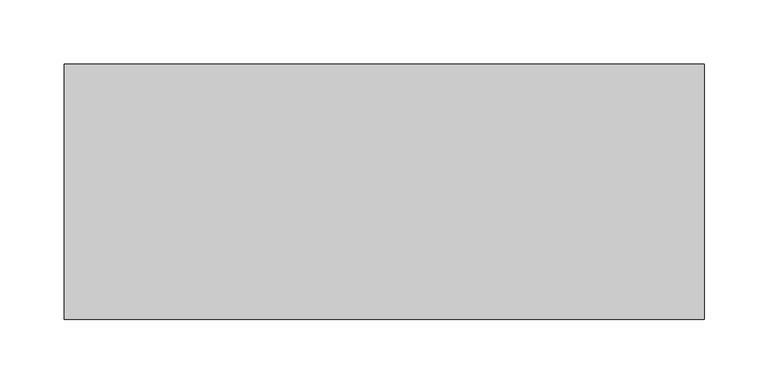
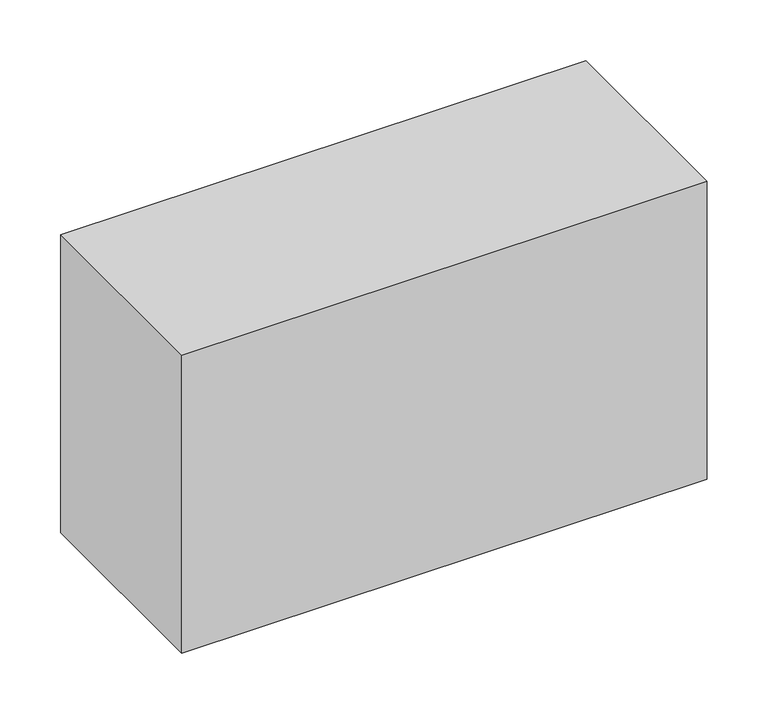
"""IFC4 building model written with IfcOpenShell, lengths in millimetres: proxy geometry."""

from ifc_helpers import new_model, si_unit, origin, origin_with_axes, place, context, project, spatial, polyline, outline, extrude, source, transform, mapped, element, save


def specialty_equipment_54b5ef3e(model_context):
    return source(origin(), model_context, "Body", "SweptSolid", [
        extrude(outline(polyline([(250.0, 100.0), (250.0, -100.0), (-250.0, -100.0), (-250.0, 100.0), (250.0, 100.0)])), origin_with_axes(), (0.0, 0.0, 1.0), 300.0),
    ])


if __name__ == "__main__":
    model = new_model("IFC4")
    model_context = context("Model", 3, world=origin())
    ifc_project = project(units=[si_unit("LENGTHUNIT", "METRE", prefix="MILLI")], contexts=[model_context])
    site = spatial("IfcSite", under=ifc_project)
    building = spatial("IfcBuilding", under=site)
    placement = place(None, origin())
    specialty_equipment_shape = specialty_equipment_54b5ef3e(model_context)
    element("IfcBuildingElementProxy", 1, Name="Specialty Equipment", at=placement, inside=building, context=model_context, shape_type="MappedRepresentation", body=[
        mapped(specialty_equipment_shape, transform((0.0, 0.0, 0.0), x_axis=(1.0, 0.0, 0.0), y_axis=(0.0, 1.0, 0.0), z_axis=(0.0, 0.0, 1.0))),
    ])
    save(model, "model.ifc")
